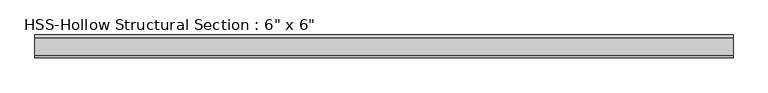
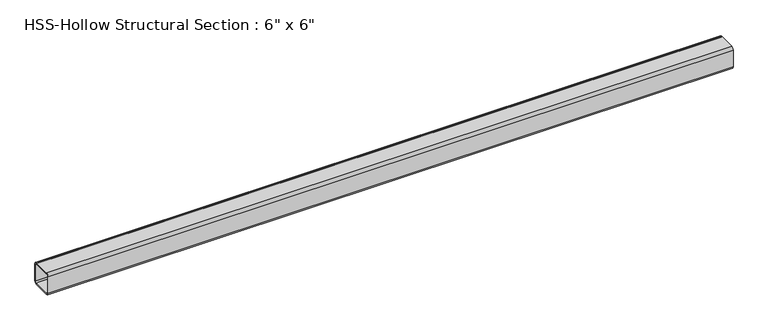
"""IFC4 building model written with IfcOpenShell, lengths in millimetres: beam geometry."""

from ifc_helpers import new_model, si_unit, point, frame, frame_2d, origin, place, context, project, spatial, polyline, circle_curve, trimmed, segment, composite_curve, outline, extrude, source, transform, mapped, element, save


def beam_ea86417f(model_context):
    return source(origin(), model_context, "Body", "SweptSolid", [
        extrude(outline(composite_curve([segment(polyline([(76.2, 58.5390625), (76.2, -58.5390625)]), True, "CONTINUOUS"), segment(trimmed(circle_curve(frame_2d((58.5390625, -58.5390625)), 17.6609375), [point((76.2, -58.5390625))], [point((58.5390625, -76.2))], False, "CARTESIAN"), True, "CONTINUOUS"), segment(polyline([(58.5390625, -76.2), (-58.5390625, -76.2)]), True, "CONTINUOUS"), segment(trimmed(circle_curve(frame_2d((-58.5390625, -58.5390625)), 17.6609375), [point((-58.5390625, -76.2))], [point((-76.2, -58.5390625))], False, "CARTESIAN"), True, "CONTINUOUS"), segment(polyline([(-76.2, -58.5390625), (-76.2, 58.5390625)]), True, "CONTINUOUS"), segment(trimmed(circle_curve(frame_2d((-58.5390625, 58.5390625)), 17.6609375), [point((-76.2, 58.5390625))], [point((-58.5390625, 76.2))], False, "CARTESIAN"), True, "CONTINUOUS"), segment(polyline([(-58.5390625, 76.2), (58.5390625, 76.2)]), True, "CONTINUOUS"), segment(trimmed(circle_curve(frame_2d((58.5390625, 58.5390625)), 17.6609375), [point((58.5390625, 76.2))], [point((76.2, 58.5390625))], False, "CARTESIAN"), True, "CONTINUOUS")], self_intersect=False), holes=[composite_curve([segment(trimmed(circle_curve(frame_2d((-58.5390625, 58.5390625)), 8.8304687), [point((-58.5390625, 67.3695312))], [point((-67.3695313, 58.5390625))], True, "CARTESIAN"), True, "CONTINUOUS"), segment(polyline([(-67.3695313, 58.5390625), (-67.3695313, -58.5390625)]), True, "CONTINUOUS"), segment(trimmed(circle_curve(frame_2d((-58.5390625, -58.5390625)), 8.8304687), [point((-67.3695313, -58.5390625))], [point((-58.5390625, -67.3695313))], True, "CARTESIAN"), True, "CONTINUOUS"), segment(polyline([(-58.5390625, -67.3695313), (58.5390625, -67.3695313)]), True, "CONTINUOUS"), segment(trimmed(circle_curve(frame_2d((58.5390625, -58.5390625)), 8.8304687), [point((58.5390625, -67.3695313))], [point((67.3695312, -58.5390625))], True, "CARTESIAN"), True, "CONTINUOUS"), segment(polyline([(67.3695312, -58.5390625), (67.3695312, 58.5390625)]), True, "CONTINUOUS"), segment(trimmed(circle_curve(frame_2d((58.5390625, 58.5390625)), 8.8304687), [point((67.3695312, 58.5390625))], [point((58.5390625, 67.3695312))], True, "CARTESIAN"), True, "CONTINUOUS"), segment(polyline([(58.5390625, 67.3695312), (-58.5390625, 67.3695312)]), True, "CONTINUOUS")], self_intersect=False)]), frame((-2305.4146039, 0.0, 0.0), z_axis=(1.0, 0.0, 0.0), x_axis=(0.0, 1.0, 0.0)), (0.0, 0.0, 1.0), 4610.8292078),
    ])


if __name__ == "__main__":
    model = new_model("IFC4")
    model_context = context("Model", 3, world=origin())
    ifc_project = project(units=[si_unit("LENGTHUNIT", "METRE", prefix="MILLI")], contexts=[model_context])
    site = spatial("IfcSite", under=ifc_project)
    building = spatial("IfcBuilding", under=site)
    placement = place(None, origin())
    beam_shape = beam_ea86417f(model_context)
    element("IfcBeam", 1, ObjectType="HSS-Hollow Structural Section : 6\" x 6\"", at=placement, inside=building, context=model_context, shape_type="MappedRepresentation", body=[
        mapped(beam_shape, transform((0.0, 0.0, 0.0), x_axis=(1.0, 0.0, 0.0), y_axis=(0.0, 1.0, 0.0), z_axis=(0.0, 0.0, 1.0))),
    ])
    save(model, "model.ifc")
